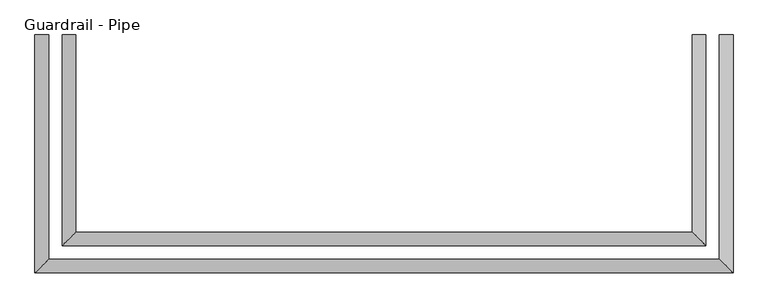
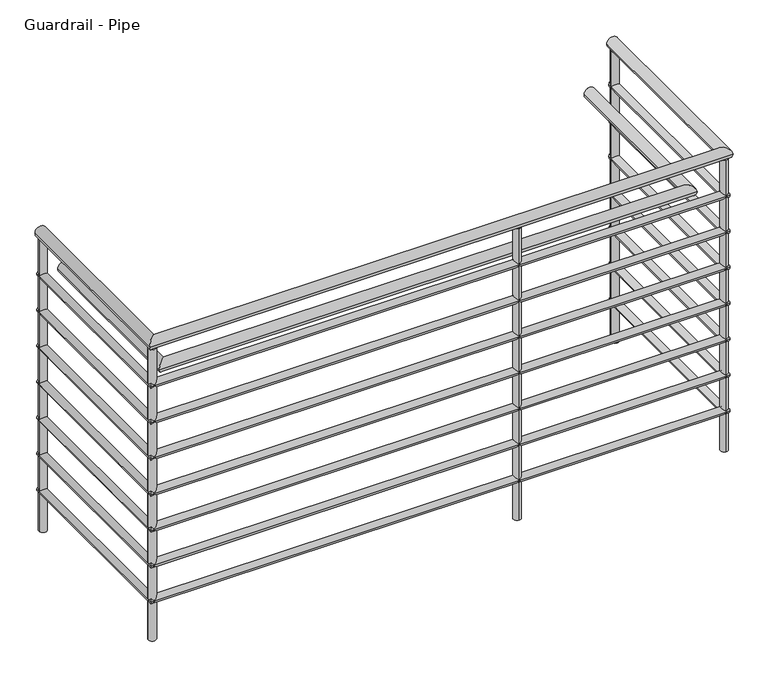
"""IFC4 building model written with IfcOpenShell, lengths in millimetres: railing geometry, Guardrail - Pipe."""

from ifc_helpers import new_model, si_unit, point, frame, frame_2d, origin, place, context, project, spatial, circle_curve, ellipse_curve, trimmed, segment, composite_curve, outline, extrude, source, transform, mapped, element, save
from ifc_brep_helpers import plane_surface, cylinder_surface, advanced_brep


def guardrail_pipe_6fffdd10(model_context):
    return source(origin(), model_context, "Body", "SolidModel", [
        advanced_brep(
        [(-669.7465986, 417.2058469, 4087.75), (-707.8465986, 417.2058469, 4087.75), (1202.9534014, 417.2058469, 4087.75), (1241.0534014, 417.2058469, 4087.75), (-669.7465986, -209.1441531, 4087.75), (-707.8465986, -247.2441531, 4087.75), (1202.9534014, -209.1441531, 4087.75), (1241.0534014, -247.2441531, 4087.75)],
        [
            (0, 1, circle_curve(frame((-688.7965986, 417.2058469, 4087.75), z_axis=(0.0, 1.0, 0.0), x_axis=(-1.0, 0.0, 0.0)), 19.05)),
            (1, 0, circle_curve(frame((-688.7965986, 417.2058469, 4087.75), z_axis=(0.0, 1.0, 0.0), x_axis=(-1.0, 0.0, 0.0)), 19.05)),
            (2, 3, circle_curve(frame((1222.0034014, 417.2058469, 4087.75), z_axis=(0.0, 1.0, 0.0), x_axis=(1.0, 0.0, 0.0)), 19.05)),
            (3, 2, circle_curve(frame((1222.0034014, 417.2058469, 4087.75), z_axis=(0.0, 1.0, 0.0), x_axis=(1.0, 0.0, 0.0)), 19.05)),
            (0, 4),
            (4, 5, ellipse_curve(frame((-688.7965986, -228.1941531, 4087.75), z_axis=(-0.7071067811865457, 0.7071067811865492, 0.0), x_axis=(0.7071067811865492, 0.7071067811865458, 0.0)), 26.9407684, 19.05)),
            (5, 1),
            (5, 4, ellipse_curve(frame((-688.7965986, -228.1941531, 4087.75), z_axis=(-0.7071067811865457, 0.7071067811865492, 0.0), x_axis=(0.7071067811865492, 0.7071067811865458, 0.0)), 26.9407684, 19.05)),
            (4, 6),
            (6, 7, ellipse_curve(frame((1222.0034014, -228.1941531, 4087.75), z_axis=(-0.7071067811865492, -0.7071067811865457, 0.0), x_axis=(-0.7071067811865458, 0.7071067811865491, 0.0)), 26.9407684, 19.05)),
            (7, 5),
            (7, 6, ellipse_curve(frame((1222.0034014, -228.1941531, 4087.75), z_axis=(-0.7071067811865492, -0.7071067811865457, 0.0), x_axis=(-0.7071067811865458, 0.7071067811865491, 0.0)), 26.9407684, 19.05)),
            (6, 2),
            (3, 7),
        ],
        [
            plane_surface(frame((-688.7965986, 417.2058469, 4106.8), z_axis=(0.0, 1.0, 0.0), x_axis=(0.0, 0.0, -1.0))),
            plane_surface(frame((1222.0034014, 417.2058469, 4106.8), z_axis=(0.0, 1.0, 0.0), x_axis=(0.0, 0.0, 1.0))),
            cylinder_surface(frame((-688.7965986, 417.2058469, 4087.75), z_axis=(0.0, 1.0, 0.0), x_axis=(-1.0, 0.0, 0.0)), 19.05),
            cylinder_surface(frame((-688.7965986, -228.1941531, 4087.75), z_axis=(-1.0, 0.0, 0.0), x_axis=(0.0, -1.0, 0.0)), 19.05),
            cylinder_surface(frame((1222.0034014, -228.1941531, 4087.75), z_axis=(0.0, -1.0, 0.0), x_axis=(1.0, 0.0, 0.0)), 19.05),
        ],
        [
            (0, [[1, 2]]),
            (1, [[3, 4]]),
            (2, [[-1, 5, 6, 7]]),
            (2, [[-2, -7, 8, -5]]),
            (3, [[-6, 9, 10, 11]]),
            (3, [[-8, -11, 12, -9]]),
            (4, [[-10, 13, -4, 14]]),
            (4, [[-12, -14, -3, -13]]),
        ],
    ),
        advanced_brep(
        [(-676.0965986, 417.2058469, 3941.7), (-701.4965986, 417.2058469, 3941.7), (-676.0965986, -215.4941531, 3941.7), (-701.4965986, -240.8941531, 3941.7), (1209.3034014, -215.4941531, 3941.7), (1234.7034014, -240.8941531, 3941.7), (1209.3034014, 417.2058469, 3941.7), (1234.7034014, 417.2058469, 3941.7)],
        [
            (0, 1, circle_curve(frame((-688.7965986, 417.2058469, 3941.7), z_axis=(0.0, 1.0, 0.0), x_axis=(-1.0, 0.0, 0.0)), 12.7)),
            (1, 0, circle_curve(frame((-688.7965986, 417.2058469, 3941.7), z_axis=(0.0, 1.0, 0.0), x_axis=(-1.0, 0.0, 0.0)), 12.7)),
            (0, 2),
            (2, 3, ellipse_curve(frame((-688.7965986, -228.1941531, 3941.7), z_axis=(-0.7071067811865457, 0.7071067811865492, 0.0), x_axis=(0.7071067811865492, 0.7071067811865458, 0.0)), 17.9605122, 12.7)),
            (3, 1),
            (3, 2, ellipse_curve(frame((-688.7965986, -228.1941531, 3941.7), z_axis=(-0.7071067811865457, 0.7071067811865492, 0.0), x_axis=(0.7071067811865492, 0.7071067811865458, 0.0)), 17.9605122, 12.7)),
            (2, 4),
            (4, 5, ellipse_curve(frame((1222.0034014, -228.1941531, 3941.7), z_axis=(-0.7071067811865492, -0.7071067811865457, 0.0), x_axis=(-0.7071067811865458, 0.7071067811865491, 0.0)), 17.9605122, 12.7)),
            (5, 3),
            (5, 4, ellipse_curve(frame((1222.0034014, -228.1941531, 3941.7), z_axis=(-0.7071067811865492, -0.7071067811865457, 0.0), x_axis=(-0.7071067811865458, 0.7071067811865491, 0.0)), 17.9605122, 12.7)),
            (6, 7, circle_curve(frame((1222.0034014, 417.2058469, 3941.7), z_axis=(0.0, 1.0, 0.0), x_axis=(1.0, 0.0, 0.0)), 12.7)),
            (7, 6, circle_curve(frame((1222.0034014, 417.2058469, 3941.7), z_axis=(0.0, 1.0, 0.0), x_axis=(1.0, 0.0, 0.0)), 12.7)),
            (4, 6),
            (7, 5),
        ],
        [
            plane_surface(frame((-688.7965986, 417.2058469, 3954.4), z_axis=(0.0, 1.0, 0.0), x_axis=(0.0, 0.0, -1.0))),
            cylinder_surface(frame((-688.7965986, 417.2058469, 3941.7), z_axis=(0.0, 1.0, 0.0), x_axis=(-1.0, 0.0, 0.0)), 12.7),
            cylinder_surface(frame((-688.7965986, -228.1941531, 3941.7), z_axis=(-1.0, 0.0, 0.0), x_axis=(0.0, -1.0, 0.0)), 12.7),
            plane_surface(frame((1222.0034014, 417.2058469, 3954.4), z_axis=(0.0, 1.0, 0.0), x_axis=(0.0, 0.0, 1.0))),
            cylinder_surface(frame((1222.0034014, -228.1941531, 3941.7), z_axis=(0.0, -1.0, 0.0), x_axis=(1.0, 0.0, 0.0)), 12.7),
        ],
        [
            (0, [[1, 2]]),
            (1, [[-1, 3, 4, 5]]),
            (1, [[-2, -5, 6, -3]]),
            (2, [[-4, 7, 8, 9]]),
            (2, [[-6, -9, 10, -7]]),
            (3, [[11, 12]]),
            (4, [[-8, 13, -12, 14]]),
            (4, [[-10, -14, -11, -13]]),
        ],
    ),
        advanced_brep(
        [(-593.5465986, 417.2058469, 3935.35), (-631.6465986, 417.2058469, 3935.35), (-593.5465986, -132.9441531, 3935.35), (-631.6465986, -171.0441531, 3935.35), (1126.7534014, -132.9441531, 3935.35), (1164.8534014, -171.0441531, 3935.35), (1126.7534014, 417.2058469, 3935.35), (1164.8534014, 417.2058469, 3935.35)],
        [
            (0, 1, circle_curve(frame((-612.5965986, 417.2058469, 3935.35), z_axis=(0.0, 1.0, 0.0), x_axis=(-1.0, 0.0, 0.0)), 19.05)),
            (1, 0, circle_curve(frame((-612.5965986, 417.2058469, 3935.35), z_axis=(0.0, 1.0, 0.0), x_axis=(-1.0, 0.0, 0.0)), 19.05)),
            (0, 2),
            (2, 3, ellipse_curve(frame((-612.5965986, -151.9941531, 3935.35), z_axis=(-0.7071067811865457, 0.7071067811865492, 0.0), x_axis=(0.7071067811865492, 0.7071067811865458, 0.0)), 26.9407684, 19.05)),
            (3, 1),
            (3, 2, ellipse_curve(frame((-612.5965986, -151.9941531, 3935.35), z_axis=(-0.7071067811865457, 0.7071067811865492, 0.0), x_axis=(0.7071067811865492, 0.7071067811865458, 0.0)), 26.9407684, 19.05)),
            (2, 4),
            (4, 5, ellipse_curve(frame((1145.8034014, -151.9941531, 3935.35), z_axis=(-0.7071067811865492, -0.7071067811865457, 0.0), x_axis=(-0.7071067811865458, 0.7071067811865491, 0.0)), 26.9407684, 19.05)),
            (5, 3),
            (5, 4, ellipse_curve(frame((1145.8034014, -151.9941531, 3935.35), z_axis=(-0.7071067811865492, -0.7071067811865457, 0.0), x_axis=(-0.7071067811865458, 0.7071067811865491, 0.0)), 26.9407684, 19.05)),
            (6, 7, circle_curve(frame((1145.8034014, 417.2058469, 3935.35), z_axis=(0.0, 1.0, 0.0), x_axis=(1.0, 0.0, 0.0)), 19.05)),
            (7, 6, circle_curve(frame((1145.8034014, 417.2058469, 3935.35), z_axis=(0.0, 1.0, 0.0), x_axis=(1.0, 0.0, 0.0)), 19.05)),
            (4, 6),
            (7, 5),
        ],
        [
            plane_surface(frame((-612.5965986, 417.2058469, 3954.4), z_axis=(0.0, 1.0, 0.0), x_axis=(0.0, 0.0, -1.0))),
            cylinder_surface(frame((-612.5965986, 417.2058469, 3935.35), z_axis=(0.0, 1.0, 0.0), x_axis=(-1.0, 0.0, 0.0)), 19.05),
            cylinder_surface(frame((-612.5965986, -151.9941531, 3935.35), z_axis=(-1.0, 0.0, 0.0), x_axis=(0.0, -1.0, 0.0)), 19.05),
            plane_surface(frame((1145.8034014, 417.2058469, 3954.4), z_axis=(0.0, 1.0, 0.0), x_axis=(0.0, 0.0, 1.0))),
            cylinder_surface(frame((1145.8034014, -151.9941531, 3935.35), z_axis=(0.0, -1.0, 0.0), x_axis=(1.0, 0.0, 0.0)), 19.05),
        ],
        [
            (0, [[1, 2]]),
            (1, [[-1, 3, 4, 5]]),
            (1, [[-2, -5, 6, -3]]),
            (2, [[-4, 7, 8, 9]]),
            (2, [[-6, -9, 10, -7]]),
            (3, [[11, 12]]),
            (4, [[-8, 13, -12, 14]]),
            (4, [[-10, -14, -11, -13]]),
        ],
    ),
        advanced_brep(
        [(-676.0965986, 417.2058469, 3814.7), (-701.4965986, 417.2058469, 3814.7), (-676.0965986, -215.4941531, 3814.7), (-701.4965986, -240.8941531, 3814.7), (1209.3034014, -215.4941531, 3814.7), (1234.7034014, -240.8941531, 3814.7), (1209.3034014, 417.2058469, 3814.7), (1234.7034014, 417.2058469, 3814.7)],
        [
            (0, 1, circle_curve(frame((-688.7965986, 417.2058469, 3814.7), z_axis=(0.0, 1.0, 0.0), x_axis=(-1.0, 0.0, 0.0)), 12.7)),
            (1, 0, circle_curve(frame((-688.7965986, 417.2058469, 3814.7), z_axis=(0.0, 1.0, 0.0), x_axis=(-1.0, 0.0, 0.0)), 12.7)),
            (0, 2),
            (2, 3, ellipse_curve(frame((-688.7965986, -228.1941531, 3814.7), z_axis=(-0.7071067811865457, 0.7071067811865492, 0.0), x_axis=(0.7071067811865492, 0.7071067811865458, 0.0)), 17.9605122, 12.7)),
            (3, 1),
            (3, 2, ellipse_curve(frame((-688.7965986, -228.1941531, 3814.7), z_axis=(-0.7071067811865457, 0.7071067811865492, 0.0), x_axis=(0.7071067811865492, 0.7071067811865458, 0.0)), 17.9605122, 12.7)),
            (2, 4),
            (4, 5, ellipse_curve(frame((1222.0034014, -228.1941531, 3814.7), z_axis=(-0.7071067811865492, -0.7071067811865457, 0.0), x_axis=(-0.7071067811865458, 0.7071067811865491, 0.0)), 17.9605122, 12.7)),
            (5, 3),
            (5, 4, ellipse_curve(frame((1222.0034014, -228.1941531, 3814.7), z_axis=(-0.7071067811865492, -0.7071067811865457, 0.0), x_axis=(-0.7071067811865458, 0.7071067811865491, 0.0)), 17.9605122, 12.7)),
            (6, 7, circle_curve(frame((1222.0034014, 417.2058469, 3814.7), z_axis=(0.0, 1.0, 0.0), x_axis=(1.0, 0.0, 0.0)), 12.7)),
            (7, 6, circle_curve(frame((1222.0034014, 417.2058469, 3814.7), z_axis=(0.0, 1.0, 0.0), x_axis=(1.0, 0.0, 0.0)), 12.7)),
            (4, 6),
            (7, 5),
        ],
        [
            plane_surface(frame((-688.7965986, 417.2058469, 3827.4), z_axis=(0.0, 1.0, 0.0), x_axis=(0.0, 0.0, -1.0))),
            cylinder_surface(frame((-688.7965986, 417.2058469, 3814.7), z_axis=(0.0, 1.0, 0.0), x_axis=(-1.0, 0.0, 0.0)), 12.7),
            cylinder_surface(frame((-688.7965986, -228.1941531, 3814.7), z_axis=(-1.0, 0.0, 0.0), x_axis=(0.0, -1.0, 0.0)), 12.7),
            plane_surface(frame((1222.0034014, 417.2058469, 3827.4), z_axis=(0.0, 1.0, 0.0), x_axis=(0.0, 0.0, 1.0))),
            cylinder_surface(frame((1222.0034014, -228.1941531, 3814.7), z_axis=(0.0, -1.0, 0.0), x_axis=(1.0, 0.0, 0.0)), 12.7),
        ],
        [
            (0, [[1, 2]]),
            (1, [[-1, 3, 4, 5]]),
            (1, [[-2, -5, 6, -3]]),
            (2, [[-4, 7, 8, 9]]),
            (2, [[-6, -9, 10, -7]]),
            (3, [[11, 12]]),
            (4, [[-8, 13, -12, 14]]),
            (4, [[-10, -14, -11, -13]]),
        ],
    ),
        advanced_brep(
        [(-676.0965986, 417.2058469, 3687.7), (-701.4965986, 417.2058469, 3687.7), (-676.0965986, -215.4941531, 3687.7), (-701.4965986, -240.8941531, 3687.7), (1209.3034014, -215.4941531, 3687.7), (1234.7034014, -240.8941531, 3687.7), (1209.3034014, 417.2058469, 3687.7), (1234.7034014, 417.2058469, 3687.7)],
        [
            (0, 1, circle_curve(frame((-688.7965986, 417.2058469, 3687.7), z_axis=(0.0, 1.0, 0.0), x_axis=(-1.0, 0.0, 0.0)), 12.7)),
            (1, 0, circle_curve(frame((-688.7965986, 417.2058469, 3687.7), z_axis=(0.0, 1.0, 0.0), x_axis=(-1.0, 0.0, 0.0)), 12.7)),
            (0, 2),
            (2, 3, ellipse_curve(frame((-688.7965986, -228.1941531, 3687.7), z_axis=(-0.7071067811865457, 0.7071067811865492, 0.0), x_axis=(0.7071067811865492, 0.7071067811865458, 0.0)), 17.9605122, 12.7)),
            (3, 1),
            (3, 2, ellipse_curve(frame((-688.7965986, -228.1941531, 3687.7), z_axis=(-0.7071067811865457, 0.7071067811865492, 0.0), x_axis=(0.7071067811865492, 0.7071067811865458, 0.0)), 17.9605122, 12.7)),
            (2, 4),
            (4, 5, ellipse_curve(frame((1222.0034014, -228.1941531, 3687.7), z_axis=(-0.7071067811865492, -0.7071067811865457, 0.0), x_axis=(-0.7071067811865458, 0.7071067811865491, 0.0)), 17.9605122, 12.7)),
            (5, 3),
            (5, 4, ellipse_curve(frame((1222.0034014, -228.1941531, 3687.7), z_axis=(-0.7071067811865492, -0.7071067811865457, 0.0), x_axis=(-0.7071067811865458, 0.7071067811865491, 0.0)), 17.9605122, 12.7)),
            (6, 7, circle_curve(frame((1222.0034014, 417.2058469, 3687.7), z_axis=(0.0, 1.0, 0.0), x_axis=(1.0, 0.0, 0.0)), 12.7)),
            (7, 6, circle_curve(frame((1222.0034014, 417.2058469, 3687.7), z_axis=(0.0, 1.0, 0.0), x_axis=(1.0, 0.0, 0.0)), 12.7)),
            (4, 6),
            (7, 5),
        ],
        [
            plane_surface(frame((-688.7965986, 417.2058469, 3700.4), z_axis=(0.0, 1.0, 0.0), x_axis=(0.0, 0.0, -1.0))),
            cylinder_surface(frame((-688.7965986, 417.2058469, 3687.7), z_axis=(0.0, 1.0, 0.0), x_axis=(-1.0, 0.0, 0.0)), 12.7),
            cylinder_surface(frame((-688.7965986, -228.1941531, 3687.7), z_axis=(-1.0, 0.0, 0.0), x_axis=(0.0, -1.0, 0.0)), 12.7),
            plane_surface(frame((1222.0034014, 417.2058469, 3700.4), z_axis=(0.0, 1.0, 0.0), x_axis=(0.0, 0.0, 1.0))),
            cylinder_surface(frame((1222.0034014, -228.1941531, 3687.7), z_axis=(0.0, -1.0, 0.0), x_axis=(1.0, 0.0, 0.0)), 12.7),
        ],
        [
            (0, [[1, 2]]),
            (1, [[-1, 3, 4, 5]]),
            (1, [[-2, -5, 6, -3]]),
            (2, [[-4, 7, 8, 9]]),
            (2, [[-6, -9, 10, -7]]),
            (3, [[11, 12]]),
            (4, [[-8, 13, -12, 14]]),
            (4, [[-10, -14, -11, -13]]),
        ],
    ),
        advanced_brep(
        [(-676.0965986, 417.2058469, 3560.7), (-701.4965986, 417.2058469, 3560.7), (-676.0965986, -215.4941531, 3560.7), (-701.4965986, -240.8941531, 3560.7), (1209.3034014, -215.4941531, 3560.7), (1234.7034014, -240.8941531, 3560.7), (1209.3034014, 417.2058469, 3560.7), (1234.7034014, 417.2058469, 3560.7)],
        [
            (0, 1, circle_curve(frame((-688.7965986, 417.2058469, 3560.7), z_axis=(0.0, 1.0, 0.0), x_axis=(-1.0, 0.0, 0.0)), 12.7)),
            (1, 0, circle_curve(frame((-688.7965986, 417.2058469, 3560.7), z_axis=(0.0, 1.0, 0.0), x_axis=(-1.0, 0.0, 0.0)), 12.7)),
            (0, 2),
            (2, 3, ellipse_curve(frame((-688.7965986, -228.1941531, 3560.7), z_axis=(-0.7071067811865457, 0.7071067811865492, 0.0), x_axis=(0.7071067811865492, 0.7071067811865458, 0.0)), 17.9605122, 12.7)),
            (3, 1),
            (3, 2, ellipse_curve(frame((-688.7965986, -228.1941531, 3560.7), z_axis=(-0.7071067811865457, 0.7071067811865492, 0.0), x_axis=(0.7071067811865492, 0.7071067811865458, 0.0)), 17.9605122, 12.7)),
            (2, 4),
            (4, 5, ellipse_curve(frame((1222.0034014, -228.1941531, 3560.7), z_axis=(-0.7071067811865492, -0.7071067811865457, 0.0), x_axis=(-0.7071067811865458, 0.7071067811865491, 0.0)), 17.9605122, 12.7)),
            (5, 3),
            (5, 4, ellipse_curve(frame((1222.0034014, -228.1941531, 3560.7), z_axis=(-0.7071067811865492, -0.7071067811865457, 0.0), x_axis=(-0.7071067811865458, 0.7071067811865491, 0.0)), 17.9605122, 12.7)),
            (6, 7, circle_curve(frame((1222.0034014, 417.2058469, 3560.7), z_axis=(0.0, 1.0, 0.0), x_axis=(1.0, 0.0, 0.0)), 12.7)),
            (7, 6, circle_curve(frame((1222.0034014, 417.2058469, 3560.7), z_axis=(0.0, 1.0, 0.0), x_axis=(1.0, 0.0, 0.0)), 12.7)),
            (4, 6),
            (7, 5),
        ],
        [
            plane_surface(frame((-688.7965986, 417.2058469, 3573.4), z_axis=(0.0, 1.0, 0.0), x_axis=(0.0, 0.0, -1.0))),
            cylinder_surface(frame((-688.7965986, 417.2058469, 3560.7), z_axis=(0.0, 1.0, 0.0), x_axis=(-1.0, 0.0, 0.0)), 12.7),
            cylinder_surface(frame((-688.7965986, -228.1941531, 3560.7), z_axis=(-1.0, 0.0, 0.0), x_axis=(0.0, -1.0, 0.0)), 12.7),
            plane_surface(frame((1222.0034014, 417.2058469, 3573.4), z_axis=(0.0, 1.0, 0.0), x_axis=(0.0, 0.0, 1.0))),
            cylinder_surface(frame((1222.0034014, -228.1941531, 3560.7), z_axis=(0.0, -1.0, 0.0), x_axis=(1.0, 0.0, 0.0)), 12.7),
        ],
        [
            (0, [[1, 2]]),
            (1, [[-1, 3, 4, 5]]),
            (1, [[-2, -5, 6, -3]]),
            (2, [[-4, 7, 8, 9]]),
            (2, [[-6, -9, 10, -7]]),
            (3, [[11, 12]]),
            (4, [[-8, 13, -12, 14]]),
            (4, [[-10, -14, -11, -13]]),
        ],
    ),
        advanced_brep(
        [(-676.0965986, 417.2058469, 3433.7), (-701.4965986, 417.2058469, 3433.7), (-676.0965986, -215.4941531, 3433.7), (-701.4965986, -240.8941531, 3433.7), (1209.3034014, -215.4941531, 3433.7), (1234.7034014, -240.8941531, 3433.7), (1209.3034014, 417.2058469, 3433.7), (1234.7034014, 417.2058469, 3433.7)],
        [
            (0, 1, circle_curve(frame((-688.7965986, 417.2058469, 3433.7), z_axis=(0.0, 1.0, 0.0), x_axis=(-1.0, 0.0, 0.0)), 12.7)),
            (1, 0, circle_curve(frame((-688.7965986, 417.2058469, 3433.7), z_axis=(0.0, 1.0, 0.0), x_axis=(-1.0, 0.0, 0.0)), 12.7)),
            (0, 2),
            (2, 3, ellipse_curve(frame((-688.7965986, -228.1941531, 3433.7), z_axis=(-0.7071067811865457, 0.7071067811865492, 0.0), x_axis=(0.7071067811865492, 0.7071067811865458, 0.0)), 17.9605122, 12.7)),
            (3, 1),
            (3, 2, ellipse_curve(frame((-688.7965986, -228.1941531, 3433.7), z_axis=(-0.7071067811865457, 0.7071067811865492, 0.0), x_axis=(0.7071067811865492, 0.7071067811865458, 0.0)), 17.9605122, 12.7)),
            (2, 4),
            (4, 5, ellipse_curve(frame((1222.0034014, -228.1941531, 3433.7), z_axis=(-0.7071067811865492, -0.7071067811865457, 0.0), x_axis=(-0.7071067811865458, 0.7071067811865491, 0.0)), 17.9605122, 12.7)),
            (5, 3),
            (5, 4, ellipse_curve(frame((1222.0034014, -228.1941531, 3433.7), z_axis=(-0.7071067811865492, -0.7071067811865457, 0.0), x_axis=(-0.7071067811865458, 0.7071067811865491, 0.0)), 17.9605122, 12.7)),
            (6, 7, circle_curve(frame((1222.0034014, 417.2058469, 3433.7), z_axis=(0.0, 1.0, 0.0), x_axis=(1.0, 0.0, 0.0)), 12.7)),
            (7, 6, circle_curve(frame((1222.0034014, 417.2058469, 3433.7), z_axis=(0.0, 1.0, 0.0), x_axis=(1.0, 0.0, 0.0)), 12.7)),
            (4, 6),
            (7, 5),
        ],
        [
            plane_surface(frame((-688.7965986, 417.2058469, 3446.4), z_axis=(0.0, 1.0, 0.0), x_axis=(0.0, 0.0, -1.0))),
            cylinder_surface(frame((-688.7965986, 417.2058469, 3433.7), z_axis=(0.0, 1.0, 0.0), x_axis=(-1.0, 0.0, 0.0)), 12.7),
            cylinder_surface(frame((-688.7965986, -228.1941531, 3433.7), z_axis=(-1.0, 0.0, 0.0), x_axis=(0.0, -1.0, 0.0)), 12.7),
            plane_surface(frame((1222.0034014, 417.2058469, 3446.4), z_axis=(0.0, 1.0, 0.0), x_axis=(0.0, 0.0, 1.0))),
            cylinder_surface(frame((1222.0034014, -228.1941531, 3433.7), z_axis=(0.0, -1.0, 0.0), x_axis=(1.0, 0.0, 0.0)), 12.7),
        ],
        [
            (0, [[1, 2]]),
            (1, [[-1, 3, 4, 5]]),
            (1, [[-2, -5, 6, -3]]),
            (2, [[-4, 7, 8, 9]]),
            (2, [[-6, -9, 10, -7]]),
            (3, [[11, 12]]),
            (4, [[-8, 13, -12, 14]]),
            (4, [[-10, -14, -11, -13]]),
        ],
    ),
        advanced_brep(
        [(-676.0965986, 417.2058469, 3306.7), (-701.4965986, 417.2058469, 3306.7), (-676.0965986, -215.4941531, 3306.7), (-701.4965986, -240.8941531, 3306.7), (1209.3034014, -215.4941531, 3306.7), (1234.7034014, -240.8941531, 3306.7), (1209.3034014, 417.2058469, 3306.7), (1234.7034014, 417.2058469, 3306.7)],
        [
            (0, 1, circle_curve(frame((-688.7965986, 417.2058469, 3306.7), z_axis=(0.0, 1.0, 0.0), x_axis=(-1.0, 0.0, 0.0)), 12.7)),
            (1, 0, circle_curve(frame((-688.7965986, 417.2058469, 3306.7), z_axis=(0.0, 1.0, 0.0), x_axis=(-1.0, 0.0, 0.0)), 12.7)),
            (0, 2),
            (2, 3, ellipse_curve(frame((-688.7965986, -228.1941531, 3306.7), z_axis=(-0.7071067811865457, 0.7071067811865492, 0.0), x_axis=(0.7071067811865492, 0.7071067811865458, 0.0)), 17.9605122, 12.7)),
            (3, 1),
            (3, 2, ellipse_curve(frame((-688.7965986, -228.1941531, 3306.7), z_axis=(-0.7071067811865457, 0.7071067811865492, 0.0), x_axis=(0.7071067811865492, 0.7071067811865458, 0.0)), 17.9605122, 12.7)),
            (2, 4),
            (4, 5, ellipse_curve(frame((1222.0034014, -228.1941531, 3306.7), z_axis=(-0.7071067811865492, -0.7071067811865457, 0.0), x_axis=(-0.7071067811865458, 0.7071067811865491, 0.0)), 17.9605122, 12.7)),
            (5, 3),
            (5, 4, ellipse_curve(frame((1222.0034014, -228.1941531, 3306.7), z_axis=(-0.7071067811865492, -0.7071067811865457, 0.0), x_axis=(-0.7071067811865458, 0.7071067811865491, 0.0)), 17.9605122, 12.7)),
            (6, 7, circle_curve(frame((1222.0034014, 417.2058469, 3306.7), z_axis=(0.0, 1.0, 0.0), x_axis=(1.0, 0.0, 0.0)), 12.7)),
            (7, 6, circle_curve(frame((1222.0034014, 417.2058469, 3306.7), z_axis=(0.0, 1.0, 0.0), x_axis=(1.0, 0.0, 0.0)), 12.7)),
            (4, 6),
            (7, 5),
        ],
        [
            plane_surface(frame((-688.7965986, 417.2058469, 3319.4), z_axis=(0.0, 1.0, 0.0), x_axis=(0.0, 0.0, -1.0))),
            cylinder_surface(frame((-688.7965986, 417.2058469, 3306.7), z_axis=(0.0, 1.0, 0.0), x_axis=(-1.0, 0.0, 0.0)), 12.7),
            cylinder_surface(frame((-688.7965986, -228.1941531, 3306.7), z_axis=(-1.0, 0.0, 0.0), x_axis=(0.0, -1.0, 0.0)), 12.7),
            plane_surface(frame((1222.0034014, 417.2058469, 3319.4), z_axis=(0.0, 1.0, 0.0), x_axis=(0.0, 0.0, 1.0))),
            cylinder_surface(frame((1222.0034014, -228.1941531, 3306.7), z_axis=(0.0, -1.0, 0.0), x_axis=(1.0, 0.0, 0.0)), 12.7),
        ],
        [
            (0, [[1, 2]]),
            (1, [[-1, 3, 4, 5]]),
            (1, [[-2, -5, 6, -3]]),
            (2, [[-4, 7, 8, 9]]),
            (2, [[-6, -9, 10, -7]]),
            (3, [[11, 12]]),
            (4, [[-8, 13, -12, 14]]),
            (4, [[-10, -14, -11, -13]]),
        ],
    ),
        advanced_brep(
        [(-676.0965986, 417.2058469, 3179.7), (-701.4965986, 417.2058469, 3179.7), (-676.0965986, -215.4941531, 3179.7), (-701.4965986, -240.8941531, 3179.7), (1209.3034014, -215.4941531, 3179.7), (1234.7034014, -240.8941531, 3179.7), (1209.3034014, 417.2058469, 3179.7), (1234.7034014, 417.2058469, 3179.7)],
        [
            (0, 1, circle_curve(frame((-688.7965986, 417.2058469, 3179.7), z_axis=(0.0, 1.0, 0.0), x_axis=(-1.0, 0.0, 0.0)), 12.7)),
            (1, 0, circle_curve(frame((-688.7965986, 417.2058469, 3179.7), z_axis=(0.0, 1.0, 0.0), x_axis=(-1.0, 0.0, 0.0)), 12.7)),
            (0, 2),
            (2, 3, ellipse_curve(frame((-688.7965986, -228.1941531, 3179.7), z_axis=(-0.7071067811865457, 0.7071067811865492, 0.0), x_axis=(0.7071067811865492, 0.7071067811865458, 0.0)), 17.9605122, 12.7)),
            (3, 1),
            (3, 2, ellipse_curve(frame((-688.7965986, -228.1941531, 3179.7), z_axis=(-0.7071067811865457, 0.7071067811865492, 0.0), x_axis=(0.7071067811865492, 0.7071067811865458, 0.0)), 17.9605122, 12.7)),
            (2, 4),
            (4, 5, ellipse_curve(frame((1222.0034014, -228.1941531, 3179.7), z_axis=(-0.7071067811865492, -0.7071067811865457, 0.0), x_axis=(-0.7071067811865458, 0.7071067811865491, 0.0)), 17.9605122, 12.7)),
            (5, 3),
            (5, 4, ellipse_curve(frame((1222.0034014, -228.1941531, 3179.7), z_axis=(-0.7071067811865492, -0.7071067811865457, 0.0), x_axis=(-0.7071067811865458, 0.7071067811865491, 0.0)), 17.9605122, 12.7)),
            (6, 7, circle_curve(frame((1222.0034014, 417.2058469, 3179.7), z_axis=(0.0, 1.0, 0.0), x_axis=(1.0, 0.0, 0.0)), 12.7)),
            (7, 6, circle_curve(frame((1222.0034014, 417.2058469, 3179.7), z_axis=(0.0, 1.0, 0.0), x_axis=(1.0, 0.0, 0.0)), 12.7)),
            (4, 6),
            (7, 5),
        ],
        [
            plane_surface(frame((-688.7965986, 417.2058469, 3192.4), z_axis=(0.0, 1.0, 0.0), x_axis=(0.0, 0.0, -1.0))),
            cylinder_surface(frame((-688.7965986, 417.2058469, 3179.7), z_axis=(0.0, 1.0, 0.0), x_axis=(-1.0, 0.0, 0.0)), 12.7),
            cylinder_surface(frame((-688.7965986, -228.1941531, 3179.7), z_axis=(-1.0, 0.0, 0.0), x_axis=(0.0, -1.0, 0.0)), 12.7),
            plane_surface(frame((1222.0034014, 417.2058469, 3192.4), z_axis=(0.0, 1.0, 0.0), x_axis=(0.0, 0.0, 1.0))),
            cylinder_surface(frame((1222.0034014, -228.1941531, 3179.7), z_axis=(0.0, -1.0, 0.0), x_axis=(1.0, 0.0, 0.0)), 12.7),
        ],
        [
            (0, [[1, 2]]),
            (1, [[-1, 3, 4, 5]]),
            (1, [[-2, -5, 6, -3]]),
            (2, [[-4, 7, 8, 9]]),
            (2, [[-6, -9, 10, -7]]),
            (3, [[11, 12]]),
            (4, [[-8, 13, -12, 14]]),
            (4, [[-10, -14, -11, -13]]),
        ],
    ),
        extrude(outline(composite_curve([segment(trimmed(circle_curve(frame_2d((530.4034014, -228.1941531)), 12.7), [point((530.4034014, -215.4941531))], [point((530.4034014, -240.8941531))], False, "CARTESIAN"), True, "CONTINUOUS"), segment(trimmed(circle_curve(frame_2d((530.4034014, -228.1941531)), 12.7), [point((530.4034014, -240.8941531))], [point((530.4034014, -215.4941531))], False, "CARTESIAN"), True, "CONTINUOUS")], self_intersect=False)), frame((0.0, 0.0, 3040.0), z_axis=(0.0, 0.0, 1.0), x_axis=(1.0, 0.0, 0.0)), (0.0, 0.0, 1.0), 1028.7),
        extrude(outline(composite_curve([segment(trimmed(circle_curve(frame_2d((1222.0034014, -228.1941531)), 12.7), [point((1222.0034014, -215.4941531))], [point((1222.0034014, -240.8941531))], False, "CARTESIAN"), True, "CONTINUOUS"), segment(trimmed(circle_curve(frame_2d((1222.0034014, -228.1941531)), 12.7), [point((1222.0034014, -240.8941531))], [point((1222.0034014, -215.4941531))], False, "CARTESIAN"), True, "CONTINUOUS")], self_intersect=False)), frame((0.0, 0.0, 3040.0), z_axis=(0.0, 0.0, 1.0), x_axis=(1.0, 0.0, 0.0)), (0.0, 0.0, 1.0), 1028.7),
        extrude(outline(composite_curve([segment(trimmed(circle_curve(frame_2d((-688.7965986, -228.1941531)), 12.7), [point((-676.0965986, -228.1941531))], [point((-701.4965986, -228.1941531))], False, "CARTESIAN"), True, "CONTINUOUS"), segment(trimmed(circle_curve(frame_2d((-688.7965986, -228.1941531)), 12.7), [point((-701.4965986, -228.1941531))], [point((-676.0965986, -228.1941531))], False, "CARTESIAN"), True, "CONTINUOUS")], self_intersect=False)), frame((0.0, 0.0, 3040.0), z_axis=(0.0, 0.0, 1.0), x_axis=(1.0, 0.0, 0.0)), (0.0, 0.0, 1.0), 1028.7),
        extrude(outline(composite_curve([segment(trimmed(circle_curve(frame_2d((1222.0034014, 404.5058469)), 12.7), [point((1209.3034014, 404.5058469))], [point((1234.7034014, 404.5058469))], False, "CARTESIAN"), True, "CONTINUOUS"), segment(trimmed(circle_curve(frame_2d((1222.0034014, 404.5058469)), 12.7), [point((1234.7034014, 404.5058469))], [point((1209.3034014, 404.5058469))], False, "CARTESIAN"), True, "CONTINUOUS")], self_intersect=False)), frame((0.0, 0.0, 3040.0), z_axis=(0.0, 0.0, 1.0), x_axis=(1.0, 0.0, 0.0)), (0.0, 0.0, 1.0), 1028.7),
        extrude(outline(composite_curve([segment(trimmed(circle_curve(frame_2d((-688.7965986, 404.5058469)), 12.7), [point((-676.0965986, 404.5058469))], [point((-701.4965986, 404.5058469))], False, "CARTESIAN"), True, "CONTINUOUS"), segment(trimmed(circle_curve(frame_2d((-688.7965986, 404.5058469)), 12.7), [point((-701.4965986, 404.5058469))], [point((-676.0965986, 404.5058469))], False, "CARTESIAN"), True, "CONTINUOUS")], self_intersect=False)), frame((0.0, 0.0, 3040.0), z_axis=(0.0, 0.0, 1.0), x_axis=(1.0, 0.0, 0.0)), (0.0, 0.0, 1.0), 1028.7),
    ])


if __name__ == "__main__":
    model = new_model("IFC4")
    model_context = context("Model", 3, world=origin())
    ifc_project = project(units=[si_unit("LENGTHUNIT", "METRE", prefix="MILLI")], contexts=[model_context])
    site = spatial("IfcSite", under=ifc_project)
    building = spatial("IfcBuilding", under=site)
    placement = place(None, origin())
    guardrail_pipe_shape = guardrail_pipe_6fffdd10(model_context)
    element("IfcRailing", 1, ObjectType="Guardrail - Pipe", at=placement, inside=building, context=model_context, shape_type="MappedRepresentation", body=[
        mapped(guardrail_pipe_shape, transform((0.0, 0.0, 0.0), x_axis=(1.0, 0.0, 0.0), y_axis=(0.0, 1.0, 0.0), z_axis=(0.0, 0.0, 1.0))),
    ])
    save(model, "model.ifc")
